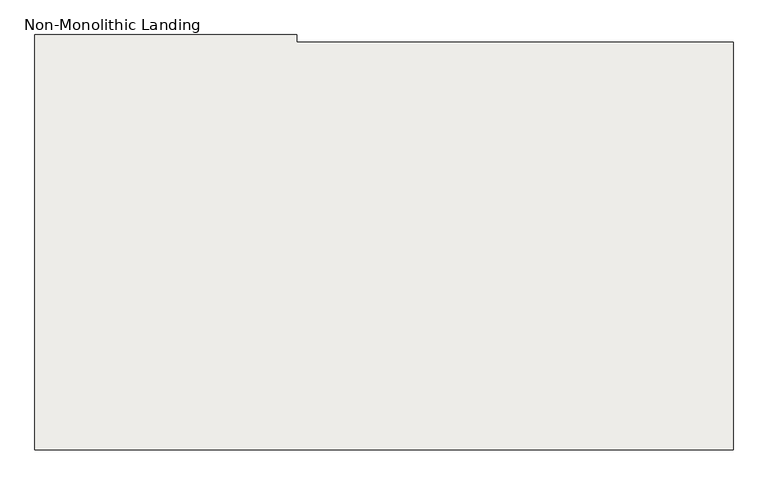
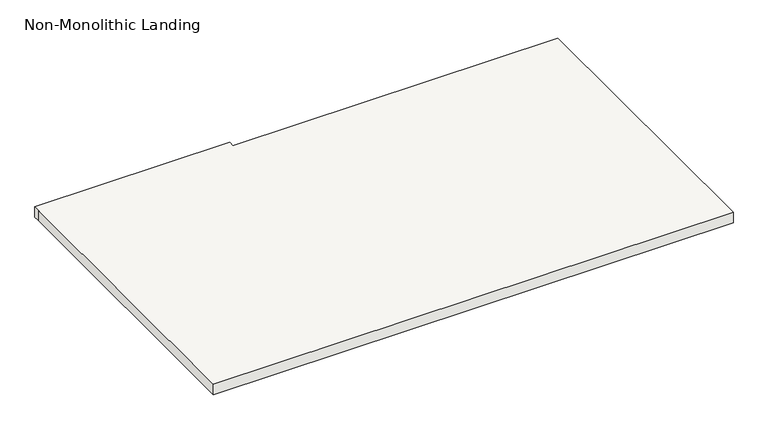
"""IFC4 building model written with IfcOpenShell, lengths in millimetres: slab geometry, Non-Monolithic Landing."""

from ifc_helpers import new_model, si_unit, frame, origin, place, context, project, spatial, polyline, outline, extrude, source, transform, mapped, element, save


def non_monolithic_landing_bf49c9cb(model_context):
    return source(origin(), model_context, "Body", "SweptSolid", [
        extrude(outline(polyline([(8572.487827, 11279.9019376), (8572.487827, 9854.3907272), (6134.0878226, 9854.3907272), (6134.0878226, 11279.9019376), (6134.0878226, 11305.3019376), (7048.4878226, 11305.3019376), (7048.4878226, 11279.9019376), (7658.087827, 11279.9019376), (8572.487827, 11279.9019376)])), frame((0.0, 0.0, 1597.025), z_axis=(0.0, 0.0, 1.0), x_axis=(1.0, 0.0, 0.0)), (0.0, 0.0, 1.0), 50.8),
    ])


if __name__ == "__main__":
    model = new_model("IFC4")
    model_context = context("Model", 3, world=origin())
    ifc_project = project(units=[si_unit("LENGTHUNIT", "METRE", prefix="MILLI")], contexts=[model_context])
    site = spatial("IfcSite", under=ifc_project)
    building = spatial("IfcBuilding", under=site)
    placement = place(None, origin())
    non_monolithic_landing_shape = non_monolithic_landing_bf49c9cb(model_context)
    element("IfcSlab", 1, ObjectType="Non-Monolithic Landing", at=placement, inside=building, context=model_context, shape_type="MappedRepresentation", body=[
        mapped(non_monolithic_landing_shape, transform((0.0, 0.0, 0.0), x_axis=(1.0, 0.0, 0.0), y_axis=(0.0, 1.0, 0.0), z_axis=(0.0, 0.0, 1.0))),
    ])
    save(model, "model.ifc")
